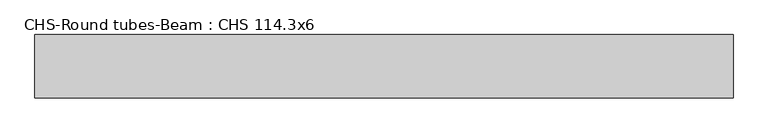
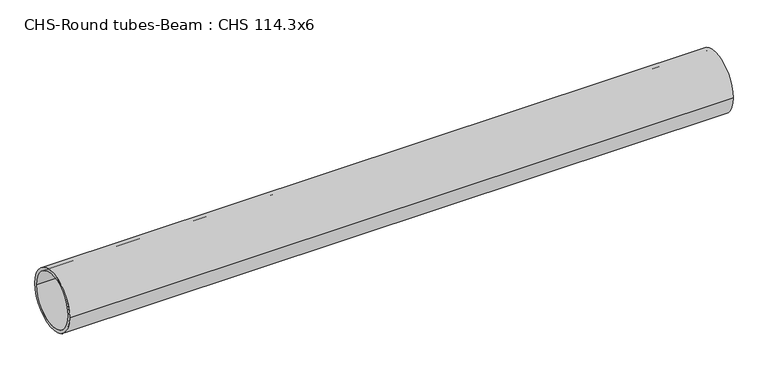
"""IFC4 building model written with IfcOpenShell, lengths in millimetres: beam geometry, CHS-Round tubes-Beam : CHS 114.3x6."""

from ifc_helpers import new_model, si_unit, point, frame, origin, origin_2d, place, context, project, spatial, circle_curve, trimmed, segment, composite_curve, outline, extrude, source, transform, mapped, element, save


def chs_round_tubes_beam_chs_114_3x6_e2a0db69(model_context):
    return source(origin(), model_context, "Body", "SweptSolid", [
        extrude(outline(composite_curve([segment(trimmed(circle_curve(origin_2d(), 57.15), [point((57.15, 0.0))], [point((-57.15, 0.0))], False, "CARTESIAN"), True, "CONTINUOUS"), segment(trimmed(circle_curve(origin_2d(), 57.15), [point((-57.15, 0.0))], [point((57.15, 0.0))], False, "CARTESIAN"), True, "CONTINUOUS")], self_intersect=False), holes=[composite_curve([segment(trimmed(circle_curve(origin_2d(), 51.15), [point((51.15, 0.0))], [point((-51.15, 0.0))], True, "CARTESIAN"), True, "CONTINUOUS"), segment(trimmed(circle_curve(origin_2d(), 51.15), [point((-51.15, 0.0))], [point((51.15, 0.0))], True, "CARTESIAN"), True, "CONTINUOUS")], self_intersect=False)]), frame((-638.3113852, 0.0, 0.0), z_axis=(1.0, 0.0, 0.0), x_axis=(0.0, 1.0, 0.0)), (0.0, 0.0, 1.0), 1261.6208753),
    ])


if __name__ == "__main__":
    model = new_model("IFC4")
    model_context = context("Model", 3, world=origin())
    ifc_project = project(units=[si_unit("LENGTHUNIT", "METRE", prefix="MILLI")], contexts=[model_context])
    site = spatial("IfcSite", under=ifc_project)
    building = spatial("IfcBuilding", under=site)
    placement = place(None, origin())
    chs_round_tubes_beam_chs_114_3x6_shape = chs_round_tubes_beam_chs_114_3x6_e2a0db69(model_context)
    element("IfcBeam", 1, ObjectType="CHS-Round tubes-Beam : CHS 114.3x6", at=placement, inside=building, context=model_context, shape_type="MappedRepresentation", body=[
        mapped(chs_round_tubes_beam_chs_114_3x6_shape, transform((0.0, 0.0, 0.0), x_axis=(1.0, 0.0, 0.0), y_axis=(0.0, 1.0, 0.0), z_axis=(0.0, 0.0, 1.0))),
    ])
    save(model, "model.ifc")
